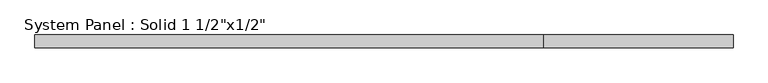
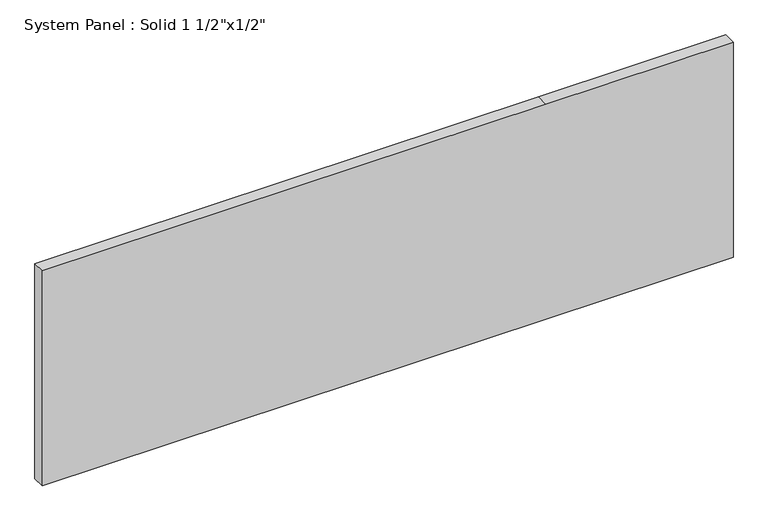
"""IFC4 building model written with IfcOpenShell, lengths in millimetres: plate geometry."""

from ifc_helpers import new_model, si_unit, frame, origin, place, context, project, spatial, polyline, outline, extrude, source, transform, mapped, element, save


def plate_2d1979bd(model_context):
    return source(origin(), model_context, "Body", "SweptSolid", [
        extrude(outline(polyline([(0.0, -1042.5473053), (0.0, 477.3973053), (0.0, 1042.5473053), (685.8, 1042.5473053), (685.8, 477.3973053), (685.8, -1042.5473053), (0.0, -1042.5473053)])), frame((0.0, -6.35, 0.0), z_axis=(0.0, 1.0, 0.0), x_axis=(0.0, 0.0, 1.0)), (0.0, 0.0, 1.0), 38.1),
    ])


if __name__ == "__main__":
    model = new_model("IFC4")
    model_context = context("Model", 3, world=origin())
    ifc_project = project(units=[si_unit("LENGTHUNIT", "METRE", prefix="MILLI")], contexts=[model_context])
    site = spatial("IfcSite", under=ifc_project)
    building = spatial("IfcBuilding", under=site)
    placement = place(None, origin())
    plate_shape = plate_2d1979bd(model_context)
    element("IfcPlate", 1, ObjectType="System Panel : Solid 1 1/2\"x1/2\"", at=placement, inside=building, context=model_context, shape_type="MappedRepresentation", body=[
        mapped(plate_shape, transform((0.0, 0.0, 0.0), x_axis=(1.0, 0.0, 0.0), y_axis=(0.0, 1.0, 0.0), z_axis=(0.0, 0.0, 1.0))),
    ])
    save(model, "model.ifc")
